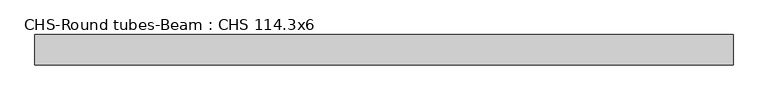
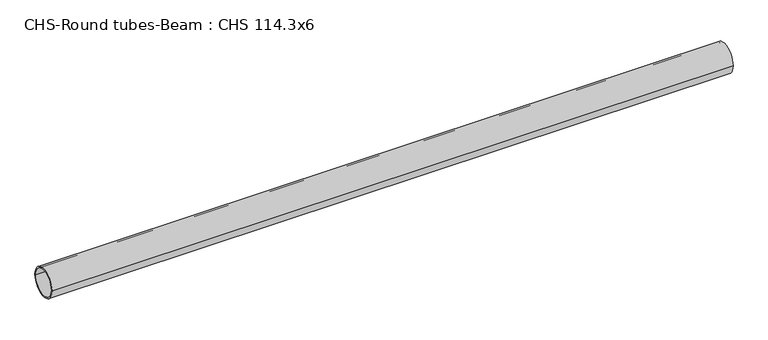
"""IFC4 building model written with IfcOpenShell, lengths in millimetres: beam geometry, CHS-Round tubes-Beam : CHS 114.3x6."""

from ifc_helpers import new_model, si_unit, point, frame, origin, origin_2d, place, context, project, spatial, circle_curve, trimmed, segment, composite_curve, outline, extrude, source, transform, mapped, element, save


def chs_round_tubes_beam_chs_114_3x6_8bf5c459(model_context):
    return source(origin(), model_context, "Body", "SweptSolid", [
        extrude(outline(composite_curve([segment(trimmed(circle_curve(origin_2d(), 57.15), [point((57.15, 0.0))], [point((-57.15, 0.0))], False, "CARTESIAN"), True, "CONTINUOUS"), segment(trimmed(circle_curve(origin_2d(), 57.15), [point((-57.15, 0.0))], [point((57.15, 0.0))], False, "CARTESIAN"), True, "CONTINUOUS")], self_intersect=False), holes=[composite_curve([segment(trimmed(circle_curve(origin_2d(), 51.15), [point((51.15, 0.0))], [point((-51.15, 0.0))], True, "CARTESIAN"), True, "CONTINUOUS"), segment(trimmed(circle_curve(origin_2d(), 51.15), [point((-51.15, 0.0))], [point((51.15, 0.0))], True, "CARTESIAN"), True, "CONTINUOUS")], self_intersect=False)]), frame((-1294.5401557, 0.0, 0.0), z_axis=(1.0, 0.0, 0.0), x_axis=(0.0, 1.0, 0.0)), (0.0, 0.0, 1.0), 2625.6951241),
    ])


if __name__ == "__main__":
    model = new_model("IFC4")
    model_context = context("Model", 3, world=origin())
    ifc_project = project(units=[si_unit("LENGTHUNIT", "METRE", prefix="MILLI")], contexts=[model_context])
    site = spatial("IfcSite", under=ifc_project)
    building = spatial("IfcBuilding", under=site)
    placement = place(None, origin())
    chs_round_tubes_beam_chs_114_3x6_shape = chs_round_tubes_beam_chs_114_3x6_8bf5c459(model_context)
    element("IfcBeam", 1, ObjectType="CHS-Round tubes-Beam : CHS 114.3x6", at=placement, inside=building, context=model_context, shape_type="MappedRepresentation", body=[
        mapped(chs_round_tubes_beam_chs_114_3x6_shape, transform((0.0, 0.0, 0.0), x_axis=(1.0, 0.0, 0.0), y_axis=(0.0, 1.0, 0.0), z_axis=(0.0, 0.0, 1.0))),
    ])
    save(model, "model.ifc")
